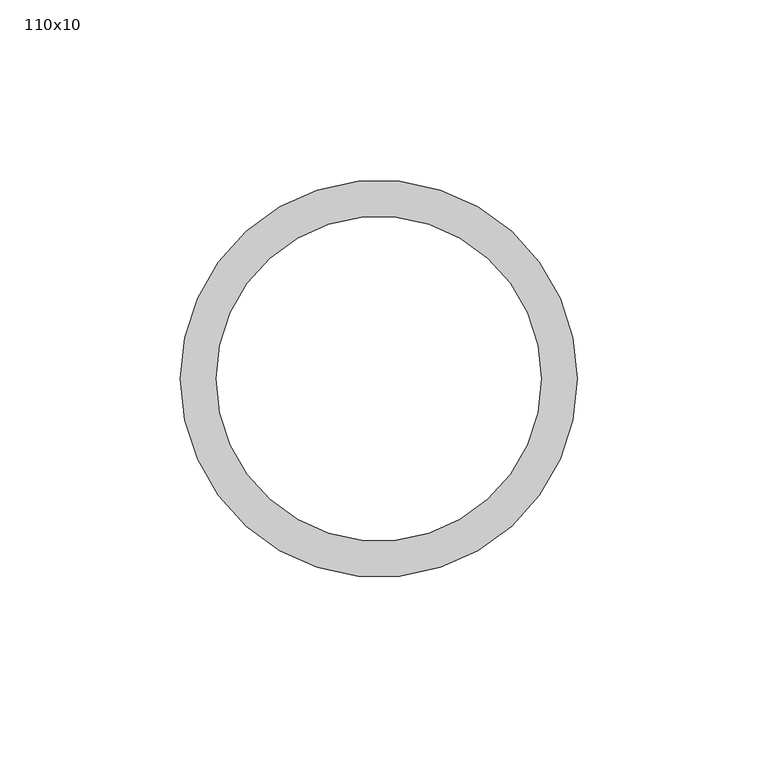
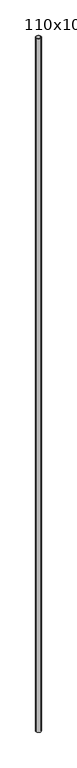
"""IFC4 building model written with IfcOpenShell, lengths in millimetres: column geometry, 110x10."""

from ifc_helpers import new_model, si_unit, point, frame, origin, origin_2d, place, context, project, spatial, circle_curve, trimmed, segment, composite_curve, outline, extrude, source, transform, mapped, element, save


def column_110x10_4dc8fd78(model_context):
    return source(origin(), model_context, "Body", "SweptSolid", [
        extrude(outline(composite_curve([segment(trimmed(circle_curve(origin_2d(), 55.0), [point((-55.0, 0.0))], [point((55.0, 0.0))], False, "CARTESIAN"), True, "CONTINUOUS"), segment(trimmed(circle_curve(origin_2d(), 55.0), [point((55.0, 0.0))], [point((-55.0, 0.0))], False, "CARTESIAN"), True, "CONTINUOUS")], self_intersect=False), holes=[composite_curve([segment(trimmed(circle_curve(origin_2d(), 45.0), [point((-45.0, 0.0))], [point((45.0, 0.0))], True, "CARTESIAN"), True, "CONTINUOUS"), segment(trimmed(circle_curve(origin_2d(), 45.0), [point((45.0, 0.0))], [point((-45.0, 0.0))], True, "CARTESIAN"), True, "CONTINUOUS")], self_intersect=False)]), frame((0.0, 0.0, -1236.5), z_axis=(0.0, 0.0, 1.0), x_axis=(1.0, 0.0, 0.0)), (0.0, 0.0, 1.0), 16594.5),
    ])


if __name__ == "__main__":
    model = new_model("IFC4")
    model_context = context("Model", 3, world=origin())
    ifc_project = project(units=[si_unit("LENGTHUNIT", "METRE", prefix="MILLI")], contexts=[model_context])
    site = spatial("IfcSite", under=ifc_project)
    building = spatial("IfcBuilding", under=site)
    placement = place(None, origin())
    column_110x10_shape = column_110x10_4dc8fd78(model_context)
    element("IfcColumn", 1, ObjectType="110x10", at=placement, inside=building, context=model_context, shape_type="MappedRepresentation", body=[
        mapped(column_110x10_shape, transform((0.0, 0.0, 0.0), x_axis=(1.0, 0.0, 0.0), y_axis=(0.0, 1.0, 0.0), z_axis=(0.0, 0.0, 1.0))),
    ])
    save(model, "model.ifc")
